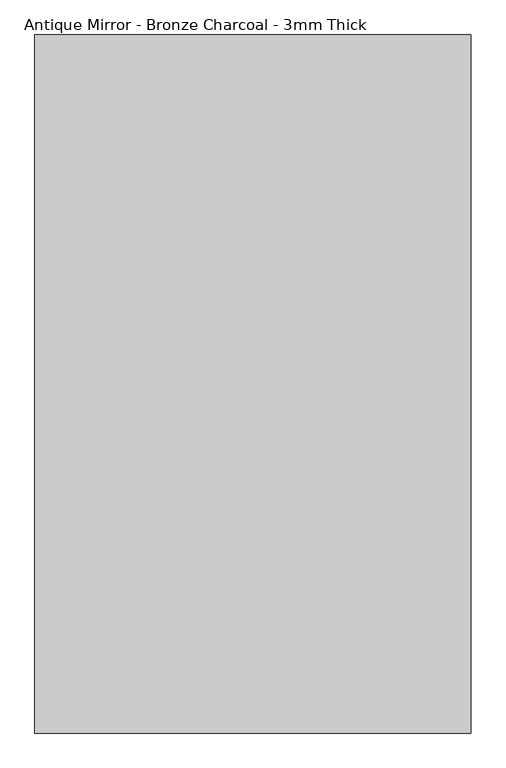
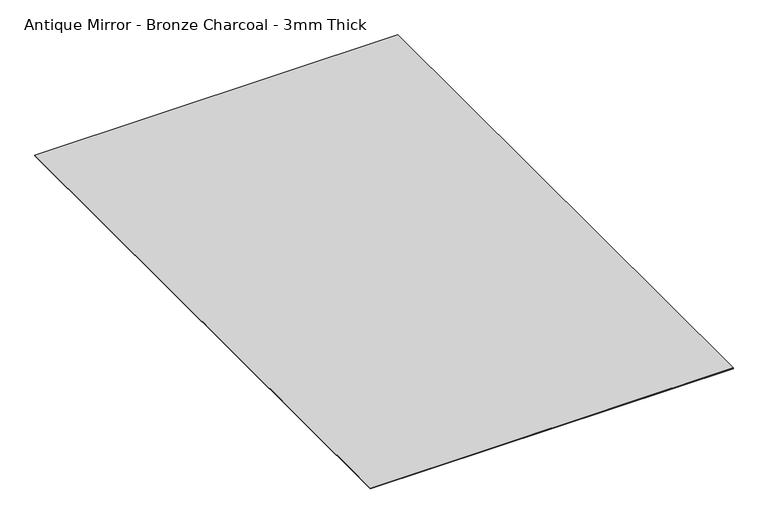
"""IFC4 building model written with IfcOpenShell, lengths in millimetres: proxy geometry, Antique Mirror - Bronze Charcoal - 3mm Thick."""

from ifc_helpers import new_model, si_unit, frame, origin, origin_with_axes, place, context, project, spatial, polyline, outline, extrude, source, transform, mapped, element, save


def antique_mirror_bronze_charcoal_3mm_thick_1d65d5c6(model_context):
    return source(origin(), model_context, "Body", "SweptSolid", [
        extrude(outline(polyline([(762.0, -1219.2), (-762.0, -1219.2), (-762.0, 1219.2), (762.0, 1219.2), (762.0, -1219.2)])), frame((0.0, 0.0, 1.984375), z_axis=(0.0, 0.0, 1.0), x_axis=(1.0, 0.0, 0.0)), (0.0, 0.0, 1.0), 0.9921875),
        extrude(outline(polyline([(762.0, 1219.2), (762.0, -1219.2), (-762.0, -1219.2), (-762.0, 1219.2), (762.0, 1219.2)])), origin_with_axes(), (0.0, 0.0, 1.0), 1.984375),
    ])


if __name__ == "__main__":
    model = new_model("IFC4")
    model_context = context("Model", 3, world=origin())
    ifc_project = project(units=[si_unit("LENGTHUNIT", "METRE", prefix="MILLI")], contexts=[model_context])
    site = spatial("IfcSite", under=ifc_project)
    building = spatial("IfcBuilding", under=site)
    placement = place(None, origin())
    antique_mirror_bronze_charcoal_3mm_thick_shape = antique_mirror_bronze_charcoal_3mm_thick_1d65d5c6(model_context)
    element("IfcBuildingElementProxy", 1, Name="Antique Mirror - Bronze Charcoal - 3mm Thick", ObjectType="Antique Mirror - Bronze Charcoal - 3mm Thick", at=placement, inside=building, context=model_context, shape_type="MappedRepresentation", body=[
        mapped(antique_mirror_bronze_charcoal_3mm_thick_shape, transform((0.0, 0.0, 0.0), x_axis=(1.0, 0.0, 0.0), y_axis=(0.0, 1.0, 0.0), z_axis=(0.0, 0.0, 1.0))),
    ])
    save(model, "model.ifc")
